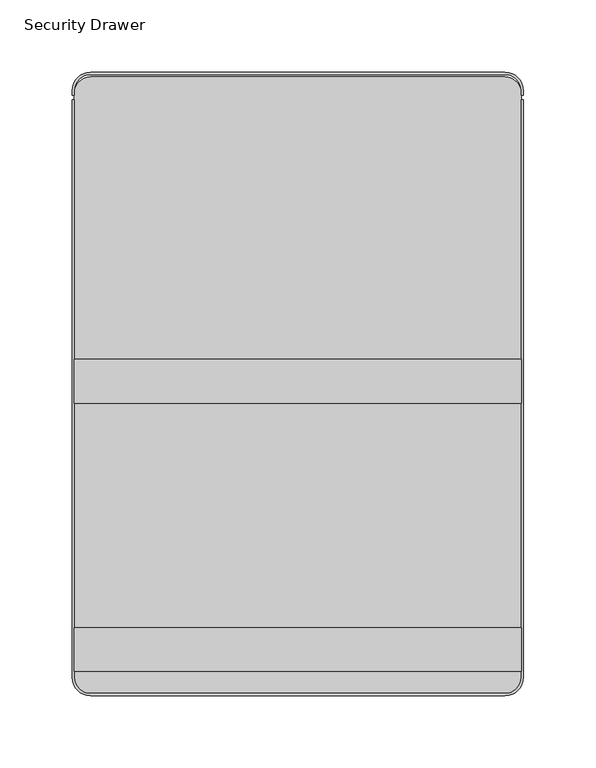
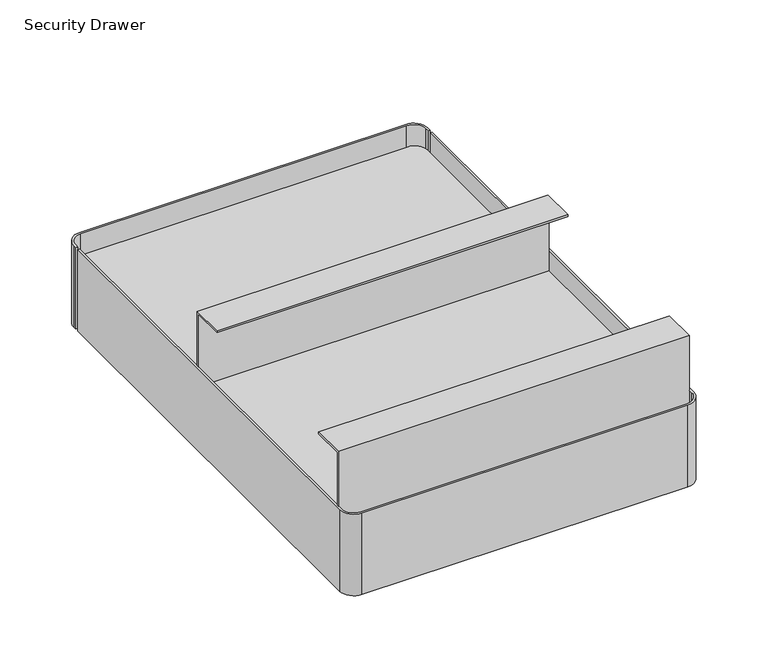
"""IFC4 building model written with IfcOpenShell, lengths in millimetres: furniture geometry, Security Drawer."""

import ifcopenshell
import ifcopenshell.guid

model = None  # the IFC model being written
_history = None  # IfcOwnerHistory: only IFC2X3 demands one
_inside = {}  # id of a spatial element -> (the spatial element, [elements in it])
_under = {}  # id of a project, library or spatial element -> (it, [spatial elements below it])
_declared = {}  # id of a project -> (the project, [libraries it declares])
_typed = {}  # id of a type object -> (the type object, [elements of that type])
_made_of = {}  # id of a material, layer set ... -> (it, [elements and type objects made of it])


def new_model(schema):
    """Start an empty IFC model of exactly this schema.

    Asked for "IFC4X3", IfcOpenShell would pick the latest addendum, in which some entities
    have other attributes; the version numbers below select the first issue.
    IFC2X3 requires an IfcOwnerHistory on every rooted entity: one is made here for all.
    """
    global model, _history
    if schema == "IFC4X3":
        model = ifcopenshell.file(schema_version=(4, 3, 0, 0))
    else:
        model = ifcopenshell.file(schema=schema)
    _inside.clear()
    _under.clear()
    _declared.clear()
    _typed.clear()
    _made_of.clear()
    _history = None
    if model.schema == "IFC2X3":
        org = make("IfcOrganization", Name="unknown")
        user = make(
            "IfcPersonAndOrganization",
            ThePerson=make("IfcPerson", FamilyName="unknown"),
            TheOrganization=org,
        )
        app = make(
            "IfcApplication",
            ApplicationDeveloper=org,
            Version="unknown",
            ApplicationFullName="unknown",
            ApplicationIdentifier="unknown",
        )
        _history = make(
            "IfcOwnerHistory",
            OwningUser=user,
            OwningApplication=app,
            ChangeAction="ADDED",
            CreationDate=0,
        )
    return model


def make(cls, **values):
    """One entity of the class cls with the attributes given. An attribute that is None is left unset."""
    return model.create_entity(
        cls, **{name: value for name, value in values.items() if value is not None}
    )


def rooted(cls, **values):
    """An entity with a GlobalId (a new one), such as an element, a storey or a relation."""
    return make(cls, GlobalId=ifcopenshell.guid.new(), OwnerHistory=_history, **values)


def si_unit(unit_type, name, prefix=None):
    """IfcSIUnit, for example si_unit("LENGTHUNIT", "METRE", prefix="MILLI")."""
    return make("IfcSIUnit", UnitType=unit_type, Prefix=prefix, Name=name)


def assignment(units):
    """IfcUnitAssignment: the units of a project."""
    return None if units is None else make("IfcUnitAssignment", Units=units)


def point(xyz):
    """IfcCartesianPoint."""
    return None if xyz is None else make("IfcCartesianPoint", Coordinates=xyz)


def direction(xyz):
    """IfcDirection."""
    return None if xyz is None else make("IfcDirection", DirectionRatios=xyz)


def frame(location, z_axis=None, x_axis=None):
    """IfcAxis2Placement3D, a coordinate frame: its origin and axes. An axis left out is left unset."""
    return make(
        "IfcAxis2Placement3D",
        Location=point(location),
        Axis=direction(z_axis),
        RefDirection=direction(x_axis),
    )


def frame_2d(location, x_axis=None):
    """IfcAxis2Placement2D, a coordinate frame in the plane: its origin and x axis."""
    return make(
        "IfcAxis2Placement2D", Location=point(location), RefDirection=direction(x_axis)
    )


def origin():
    """The frame at (0, 0, 0) with its axes left unset."""
    return frame((0.0, 0.0, 0.0))


def place(relative_to, where):
    """IfcLocalPlacement: puts the frame where relative to a parent placement (None: the world)."""
    return make(
        "IfcLocalPlacement", PlacementRelTo=relative_to, RelativePlacement=where
    )


def context(
    kind, dimensions, precision=None, world=None, true_north=None, identifier=None
):
    """IfcGeometricRepresentationContext, for example the 3D "Model" context."""
    return make(
        "IfcGeometricRepresentationContext",
        ContextIdentifier=identifier,
        ContextType=kind,
        CoordinateSpaceDimension=dimensions,
        Precision=precision,
        WorldCoordinateSystem=world,
        TrueNorth=true_north,
    )


def project(units=None, contexts=None):
    """IfcProject with its units and contexts."""
    return rooted(
        "IfcProject",
        Name="project",
        RepresentationContexts=contexts,
        UnitsInContext=assignment(units),
    )


def spatial(cls, under=None, at=None, **own):
    """A site, building, storey or space (cls), placed at a placement, below another one or the project."""
    s = rooted(cls, ObjectPlacement=at, **own)
    if under is not None:
        _under.setdefault(under.id(), (under, []))[1].append(s)
    return s


def polyline(points):
    """IfcPolyline through the points."""
    return make("IfcPolyline", Points=[point(p) for p in points])


def circle_curve(where, radius):
    """IfcCircle in the frame where."""
    return make("IfcCircle", Position=where, Radius=radius)


def trimmed(basis, trim1, trim2, sense, master):
    """IfcTrimmedCurve: the piece of a basis curve between two trims."""
    return make(
        "IfcTrimmedCurve",
        BasisCurve=basis,
        Trim1=trim1,
        Trim2=trim2,
        SenseAgreement=sense,
        MasterRepresentation=master,
    )


def segment(curve, same_sense, transition):
    """IfcCompositeCurveSegment."""
    return make(
        "IfcCompositeCurveSegment",
        Transition=transition,
        SameSense=same_sense,
        ParentCurve=curve,
    )


def composite_curve(segments, self_intersect=None):
    """IfcCompositeCurve: segments joined end to end."""
    return make("IfcCompositeCurve", Segments=segments, SelfIntersect=self_intersect)


def outline(outer, holes=None, kind="AREA"):
    """IfcArbitraryClosedProfileDef: a profile drawn as a closed curve; with holes, ...WithVoids."""
    if holes is None:
        return make("IfcArbitraryClosedProfileDef", ProfileType=kind, OuterCurve=outer)
    return make(
        "IfcArbitraryProfileDefWithVoids",
        ProfileType=kind,
        OuterCurve=outer,
        InnerCurves=holes,
    )


def extrude(swept, where, along, depth):
    """IfcExtrudedAreaSolid: the profile swept, set in the frame where, extruded along a direction by depth."""
    return make(
        "IfcExtrudedAreaSolid",
        SweptArea=swept,
        Position=where,
        ExtrudedDirection=direction(along),
        Depth=depth,
    )


def shape(context_of_items, identifier, shape_type, items):
    """IfcShapeRepresentation: the items that make up one representation, for example the "Body"."""
    return make(
        "IfcShapeRepresentation",
        ContextOfItems=context_of_items,
        RepresentationIdentifier=identifier,
        RepresentationType=shape_type,
        Items=items,
    )


def source(mapping_origin, context_of_items, identifier, shape_type, items):
    """IfcRepresentationMap: a shape defined once, which mapped items show again and again."""
    return make(
        "IfcRepresentationMap",
        MappingOrigin=mapping_origin,
        MappedRepresentation=shape(context_of_items, identifier, shape_type, items),
    )


def transform(
    local_origin,
    x_axis=None,
    y_axis=None,
    z_axis=None,
    scale=None,
    scale2=None,
    scale3=None,
    uniform=True,
):
    """IfcCartesianTransformationOperator3D, or its non-uniform kind. x_axis, y_axis, z_axis: its Axis1, 2, 3."""
    if uniform:
        return make(
            "IfcCartesianTransformationOperator3D",
            Axis1=direction(x_axis),
            Axis2=direction(y_axis),
            LocalOrigin=point(local_origin),
            Scale=scale,
            Axis3=direction(z_axis),
        )
    return make(
        "IfcCartesianTransformationOperator3DnonUniform",
        Axis1=direction(x_axis),
        Axis2=direction(y_axis),
        LocalOrigin=point(local_origin),
        Scale=scale,
        Axis3=direction(z_axis),
        Scale2=scale2,
        Scale3=scale3,
    )


def mapped(mapping_source, mapping_target):
    """IfcMappedItem: shows the shape of a source again, moved by a transform."""
    return make(
        "IfcMappedItem", MappingSource=mapping_source, MappingTarget=mapping_target
    )


def made_of(thing, what):
    """Note that an element or type object is made of a material, layer set ...; save() writes the relation."""
    if what is not None:
        _made_of.setdefault(what.id(), (what, []))[1].append(thing)
    return thing


def element(
    cls,
    number,
    at=None,
    inside=None,
    cuts=None,
    type_object=None,
    material=None,
    context=None,
    identifier="Body",
    shape_type=None,
    held_by="IfcProductDefinitionShape",
    body=None,
    shapes=None,
    **own,
):
    """One element of the class cls, such as IfcWall. Its Tag is "e" and its number.

    at: its placement. inside: the storey or other place that contains it. cuts: it is an
    opening in that element (IfcRelVoidsElement). A single representation is given by context,
    identifier, shape_type and body (its items); several are given by shapes. held_by: the class
    of the entity that holds the representations. save() writes the other relations.
    """
    e = rooted(cls, Tag="e%d" % number, ObjectPlacement=at, **own)
    if body is not None:
        shapes = [shape(context, identifier, shape_type, body)]
    if shapes is not None:
        e.Representation = make(held_by, Representations=shapes)
    if inside is not None:
        _inside.setdefault(inside.id(), (inside, []))[1].append(e)
    if cuts is not None:
        rooted(
            "IfcRelVoidsElement", RelatingBuildingElement=cuts, RelatedOpeningElement=e
        )
    if type_object is not None:
        _typed.setdefault(type_object.id(), (type_object, []))[1].append(e)
    return made_of(e, material)


def aggregate(whole, parts):
    """IfcRelAggregates: a whole, such as a stair, and the parts it consists of."""
    return rooted("IfcRelAggregates", RelatingObject=whole, RelatedObjects=parts)


def save(model, path):
    """Write the relations noted so far, then the file.

    IfcRelAggregates (storeys below a building ...), IfcRelContainedInSpatialStructure (elements
    in a storey), IfcRelDefinesByType, IfcRelAssociatesMaterial and IfcRelDeclares: one each for
    every whole, place, type object, material and project.
    """
    for whole, parts in _under.values():
        aggregate(whole, parts)
    for where, things in _inside.values():
        rooted(
            "IfcRelContainedInSpatialStructure",
            RelatedElements=things,
            RelatingStructure=where,
        )
    for kind, things in _typed.values():
        rooted("IfcRelDefinesByType", RelatedObjects=things, RelatingType=kind)
    for what, things in _made_of.values():
        rooted("IfcRelAssociatesMaterial", RelatedObjects=things, RelatingMaterial=what)
    for by, libraries in _declared.values():
        rooted("IfcRelDeclares", RelatingContext=by, RelatedDefinitions=libraries)
    model.write(path)


def security_drawer_7953734e(model_context):
    return source(origin(), model_context, "Body", "SweptSolid", [
        extrude(outline(composite_curve([segment(polyline([(105.56875, 46.0375), (-181.76875, 46.0375)]), True, "CONTINUOUS"), segment(trimmed(circle_curve(frame_2d((-181.76875, 57.15)), 11.1125), [point((-181.76875, 46.0375))], [point((-192.88125, 57.15))], False, "CARTESIAN"), True, "CONTINUOUS"), segment(polyline([(-192.88125, 57.15), (-192.88125, 461.9625)]), True, "CONTINUOUS"), segment(trimmed(circle_curve(frame_2d((-181.76875, 461.9625)), 11.1125), [point((-192.88125, 461.9625))], [point((-181.76875, 473.075))], False, "CARTESIAN"), True, "CONTINUOUS"), segment(polyline([(-181.76875, 473.075), (105.56875, 473.075)]), True, "CONTINUOUS"), segment(trimmed(circle_curve(frame_2d((105.56875, 461.9625)), 11.1125), [point((105.56875, 473.075))], [point((116.68125, 461.9625))], False, "CARTESIAN"), True, "CONTINUOUS"), segment(polyline([(116.68125, 461.9625), (116.68125, 57.15)]), True, "CONTINUOUS"), segment(trimmed(circle_curve(frame_2d((105.56875, 57.15)), 11.1125), [point((116.68125, 57.15))], [point((105.56875, 46.0375))], False, "CARTESIAN"), True, "CONTINUOUS")], self_intersect=False)), frame((0.0, 0.0, 633.4124758), z_axis=(0.0, 0.0, 1.0), x_axis=(1.0, 0.0, 0.0)), (0.0, 0.0, 1.0), 1.5875),
        extrude(outline(composite_curve([segment(polyline([(105.56875, 46.0375), (-181.76875, 46.0375)]), True, "CONTINUOUS"), segment(trimmed(circle_curve(frame_2d((-181.76875, 57.15)), 11.1125), [point((-181.76875, 46.0375))], [point((-192.88125, 57.15))], False, "CARTESIAN"), True, "CONTINUOUS"), segment(polyline([(-192.88125, 57.15), (-192.88125, 461.9625)]), True, "CONTINUOUS"), segment(trimmed(circle_curve(frame_2d((-181.76875, 461.9625)), 11.1125), [point((-192.88125, 461.9625))], [point((-181.76875, 473.075))], False, "CARTESIAN"), True, "CONTINUOUS"), segment(polyline([(-181.76875, 473.075), (105.56875, 473.075)]), True, "CONTINUOUS"), segment(trimmed(circle_curve(frame_2d((105.56875, 461.9625)), 11.1125), [point((105.56875, 473.075))], [point((116.68125, 461.9625))], False, "CARTESIAN"), True, "CONTINUOUS"), segment(polyline([(116.68125, 461.9625), (116.68125, 57.15)]), True, "CONTINUOUS"), segment(trimmed(circle_curve(frame_2d((105.56875, 57.15)), 11.1125), [point((116.68125, 57.15))], [point((105.56875, 46.0375))], False, "CARTESIAN"), True, "CONTINUOUS")], self_intersect=False)), frame((0.0, 0.0, 577.85), z_axis=(0.0, 0.0, 1.0), x_axis=(1.0, 0.0, 0.0)), (0.0, 0.0, 1.0), 1.5875),
        extrude(outline(polyline([(277.3171814, 634.9999758), (275.7296814, 634.9999758), (275.7296814, 703.2625), (247.1546814, 703.2625), (247.1546814, 704.85), (277.3171814, 704.85), (277.3171814, 634.9999758)])), frame((-192.88125, 0.0, 0.0), z_axis=(1.0, 0.0, 0.0), x_axis=(0.0, 1.0, 0.0)), (0.0, 0.0, 1.0), 309.5625),
        extrude(outline(polyline([(61.4172056, 634.9999758), (61.4172056, 704.85), (91.5797056, 704.85), (91.5797056, 703.2625), (63.0047056, 703.2625), (63.0047056, 634.9999758), (61.4172056, 634.9999758)])), frame((-192.88125, 0.0, 0.0), z_axis=(1.0, 0.0, 0.0), x_axis=(0.0, 1.0, 0.0)), (0.0, 0.0, 1.0), 309.5625),
        extrude(outline(composite_curve([segment(trimmed(circle_curve(frame_2d((-181.76875, 463.55)), 12.7), [point((-194.46875, 463.55))], [point((-181.76875, 476.25))], False, "CARTESIAN"), True, "CONTINUOUS"), segment(polyline([(-181.76875, 476.25), (105.56875, 476.25)]), True, "CONTINUOUS"), segment(trimmed(circle_curve(frame_2d((105.56875, 463.55)), 12.7), [point((105.56875, 476.25))], [point((118.26875, 463.55))], False, "CARTESIAN"), True, "CONTINUOUS"), segment(polyline([(118.26875, 463.55), (118.26875, 460.375), (116.68125, 460.375), (116.68125, 463.55)]), True, "CONTINUOUS"), segment(trimmed(circle_curve(frame_2d((105.56875, 463.55)), 11.1125), [point((116.68125, 463.55))], [point((105.56875, 474.6625))], True, "CARTESIAN"), True, "CONTINUOUS"), segment(polyline([(105.56875, 474.6625), (-181.76875, 474.6625)]), True, "CONTINUOUS"), segment(trimmed(circle_curve(frame_2d((-181.76875, 463.55)), 11.1125), [point((-181.76875, 474.6625))], [point((-192.88125, 463.55))], True, "CARTESIAN"), True, "CONTINUOUS"), segment(polyline([(-192.88125, 463.55), (-192.88125, 460.375), (-194.46875, 460.375), (-194.46875, 463.55)]), True, "CONTINUOUS")], self_intersect=False)), frame((0.0, 0.0, 577.85), z_axis=(0.0, 0.0, 1.0), x_axis=(1.0, 0.0, 0.0)), (0.0, 0.0, 1.0), 76.2),
        extrude(outline(composite_curve([segment(polyline([(-194.46875, 57.15), (-194.46875, 457.2), (-192.88125, 457.2), (-192.88125, 57.15)]), True, "CONTINUOUS"), segment(trimmed(circle_curve(frame_2d((-181.76875, 57.15)), 11.1125), [point((-192.88125, 57.15))], [point((-181.76875, 46.0375))], True, "CARTESIAN"), True, "CONTINUOUS"), segment(polyline([(-181.76875, 46.0375), (105.56875, 46.0375)]), True, "CONTINUOUS"), segment(trimmed(circle_curve(frame_2d((105.56875, 57.15)), 11.1125), [point((105.56875, 46.0375))], [point((116.68125, 57.15))], True, "CARTESIAN"), True, "CONTINUOUS"), segment(polyline([(116.68125, 57.15), (116.68125, 457.2), (118.26875, 457.2), (118.26875, 57.15)]), True, "CONTINUOUS"), segment(trimmed(circle_curve(frame_2d((105.56875, 57.15)), 12.7), [point((118.26875, 57.15))], [point((105.56875, 44.45))], False, "CARTESIAN"), True, "CONTINUOUS"), segment(polyline([(105.56875, 44.45), (-181.76875, 44.45)]), True, "CONTINUOUS"), segment(trimmed(circle_curve(frame_2d((-181.76875, 57.15)), 12.7), [point((-181.76875, 44.45))], [point((-194.46875, 57.15))], False, "CARTESIAN"), True, "CONTINUOUS")], self_intersect=False)), frame((0.0, 0.0, 577.85), z_axis=(0.0, 0.0, 1.0), x_axis=(1.0, 0.0, 0.0)), (0.0, 0.0, 1.0), 76.2),
    ])


if __name__ == "__main__":
    model = new_model("IFC4")
    model_context = context("Model", 3, world=origin())
    ifc_project = project(units=[si_unit("LENGTHUNIT", "METRE", prefix="MILLI")], contexts=[model_context])
    site = spatial("IfcSite", under=ifc_project)
    building = spatial("IfcBuilding", under=site)
    placement = place(None, origin())
    security_drawer_shape = security_drawer_7953734e(model_context)
    element("IfcFurniture", 1, ObjectType="Security Drawer", at=placement, inside=building, context=model_context, shape_type="MappedRepresentation", body=[
        mapped(security_drawer_shape, transform((0.0, 0.0, 0.0), x_axis=(1.0, 0.0, 0.0), y_axis=(0.0, 1.0, 0.0), z_axis=(0.0, 0.0, 1.0))),
    ])
    save(model, "model.ifc")
